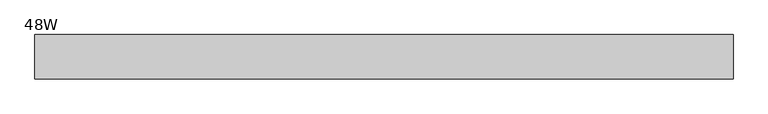
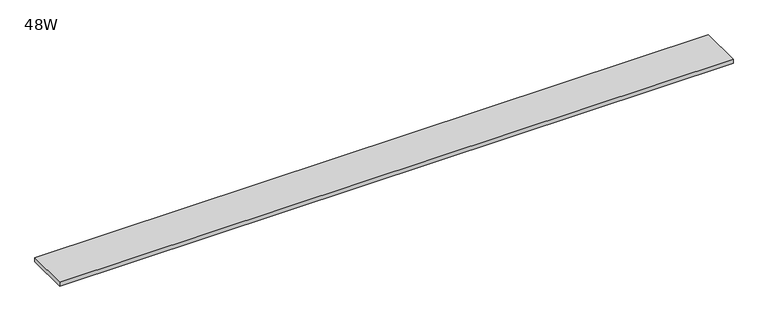
"""IFC4 building model written with IfcOpenShell, lengths in millimetres: furniture geometry, 48W."""

from ifc_helpers import new_model, si_unit, frame, origin, place, context, project, spatial, polyline, outline, extrude, source, transform, mapped, element, save


def furniture_48w_1786279d(model_context):
    return source(origin(), model_context, "Body", "SweptSolid", [
        extrude(outline(polyline([(553.61205, 38.735), (553.61205, -38.735), (-665.58795, -38.735), (-665.58795, 38.735), (553.61205, 38.735)])), frame((0.0, 0.0, 1150.366), z_axis=(0.0, 0.0, 1.0), x_axis=(1.0, 0.0, 0.0)), (0.0, 0.0, 1.0), 6.858),
    ])


if __name__ == "__main__":
    model = new_model("IFC4")
    model_context = context("Model", 3, world=origin())
    ifc_project = project(units=[si_unit("LENGTHUNIT", "METRE", prefix="MILLI")], contexts=[model_context])
    site = spatial("IfcSite", under=ifc_project)
    building = spatial("IfcBuilding", under=site)
    placement = place(None, origin())
    furniture_48w_shape = furniture_48w_1786279d(model_context)
    element("IfcFurniture", 1, ObjectType="48W", at=placement, inside=building, context=model_context, shape_type="MappedRepresentation", body=[
        mapped(furniture_48w_shape, transform((0.0, 0.0, 0.0), x_axis=(1.0, 0.0, 0.0), y_axis=(0.0, 1.0, 0.0), z_axis=(0.0, 0.0, 1.0))),
    ])
    save(model, "model.ifc")
